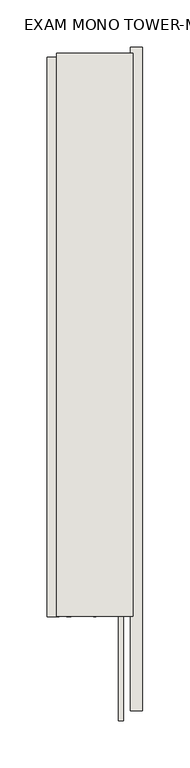
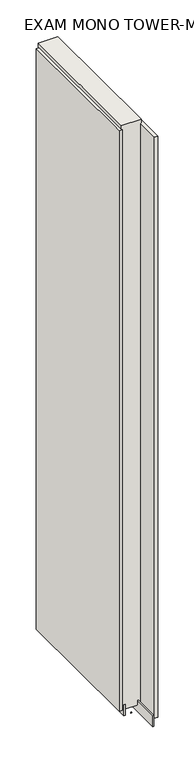
"""IFC4 building model written with IfcOpenShell, lengths in millimetres: wall geometry, EXAM MONO TOWER-MONO ACCENT 537554 : EXAM MONO TOWER-MONO ACCENT 537554."""

import ifcopenshell
import ifcopenshell.guid

model = None  # the IFC model being written
_history = None  # IfcOwnerHistory: only IFC2X3 demands one
_inside = {}  # id of a spatial element -> (the spatial element, [elements in it])
_under = {}  # id of a project, library or spatial element -> (it, [spatial elements below it])
_declared = {}  # id of a project -> (the project, [libraries it declares])
_typed = {}  # id of a type object -> (the type object, [elements of that type])
_made_of = {}  # id of a material, layer set ... -> (it, [elements and type objects made of it])


def new_model(schema):
    """Start an empty IFC model of exactly this schema.

    Asked for "IFC4X3", IfcOpenShell would pick the latest addendum, in which some entities
    have other attributes; the version numbers below select the first issue.
    IFC2X3 requires an IfcOwnerHistory on every rooted entity: one is made here for all.
    """
    global model, _history
    if schema == "IFC4X3":
        model = ifcopenshell.file(schema_version=(4, 3, 0, 0))
    else:
        model = ifcopenshell.file(schema=schema)
    _inside.clear()
    _under.clear()
    _declared.clear()
    _typed.clear()
    _made_of.clear()
    _history = None
    if model.schema == "IFC2X3":
        org = make("IfcOrganization", Name="unknown")
        user = make(
            "IfcPersonAndOrganization",
            ThePerson=make("IfcPerson", FamilyName="unknown"),
            TheOrganization=org,
        )
        app = make(
            "IfcApplication",
            ApplicationDeveloper=org,
            Version="unknown",
            ApplicationFullName="unknown",
            ApplicationIdentifier="unknown",
        )
        _history = make(
            "IfcOwnerHistory",
            OwningUser=user,
            OwningApplication=app,
            ChangeAction="ADDED",
            CreationDate=0,
        )
    return model


def make(cls, **values):
    """One entity of the class cls with the attributes given. An attribute that is None is left unset."""
    return model.create_entity(
        cls, **{name: value for name, value in values.items() if value is not None}
    )


def rooted(cls, **values):
    """An entity with a GlobalId (a new one), such as an element, a storey or a relation."""
    return make(cls, GlobalId=ifcopenshell.guid.new(), OwnerHistory=_history, **values)


def si_unit(unit_type, name, prefix=None):
    """IfcSIUnit, for example si_unit("LENGTHUNIT", "METRE", prefix="MILLI")."""
    return make("IfcSIUnit", UnitType=unit_type, Prefix=prefix, Name=name)


def assignment(units):
    """IfcUnitAssignment: the units of a project."""
    return None if units is None else make("IfcUnitAssignment", Units=units)


def point(xyz):
    """IfcCartesianPoint."""
    return None if xyz is None else make("IfcCartesianPoint", Coordinates=xyz)


def direction(xyz):
    """IfcDirection."""
    return None if xyz is None else make("IfcDirection", DirectionRatios=xyz)


def frame(location, z_axis=None, x_axis=None):
    """IfcAxis2Placement3D, a coordinate frame: its origin and axes. An axis left out is left unset."""
    return make(
        "IfcAxis2Placement3D",
        Location=point(location),
        Axis=direction(z_axis),
        RefDirection=direction(x_axis),
    )


def origin():
    """The frame at (0, 0, 0) with its axes left unset."""
    return frame((0.0, 0.0, 0.0))


def place(relative_to, where):
    """IfcLocalPlacement: puts the frame where relative to a parent placement (None: the world)."""
    return make(
        "IfcLocalPlacement", PlacementRelTo=relative_to, RelativePlacement=where
    )


def context(
    kind, dimensions, precision=None, world=None, true_north=None, identifier=None
):
    """IfcGeometricRepresentationContext, for example the 3D "Model" context."""
    return make(
        "IfcGeometricRepresentationContext",
        ContextIdentifier=identifier,
        ContextType=kind,
        CoordinateSpaceDimension=dimensions,
        Precision=precision,
        WorldCoordinateSystem=world,
        TrueNorth=true_north,
    )


def project(units=None, contexts=None):
    """IfcProject with its units and contexts."""
    return rooted(
        "IfcProject",
        Name="project",
        RepresentationContexts=contexts,
        UnitsInContext=assignment(units),
    )


def spatial(cls, under=None, at=None, **own):
    """A site, building, storey or space (cls), placed at a placement, below another one or the project."""
    s = rooted(cls, ObjectPlacement=at, **own)
    if under is not None:
        _under.setdefault(under.id(), (under, []))[1].append(s)
    return s


def polyline(points):
    """IfcPolyline through the points."""
    return make("IfcPolyline", Points=[point(p) for p in points])


def outline(outer, holes=None, kind="AREA"):
    """IfcArbitraryClosedProfileDef: a profile drawn as a closed curve; with holes, ...WithVoids."""
    if holes is None:
        return make("IfcArbitraryClosedProfileDef", ProfileType=kind, OuterCurve=outer)
    return make(
        "IfcArbitraryProfileDefWithVoids",
        ProfileType=kind,
        OuterCurve=outer,
        InnerCurves=holes,
    )


def extrude(swept, where, along, depth):
    """IfcExtrudedAreaSolid: the profile swept, set in the frame where, extruded along a direction by depth."""
    return make(
        "IfcExtrudedAreaSolid",
        SweptArea=swept,
        Position=where,
        ExtrudedDirection=direction(along),
        Depth=depth,
    )


def shape(context_of_items, identifier, shape_type, items):
    """IfcShapeRepresentation: the items that make up one representation, for example the "Body"."""
    return make(
        "IfcShapeRepresentation",
        ContextOfItems=context_of_items,
        RepresentationIdentifier=identifier,
        RepresentationType=shape_type,
        Items=items,
    )


def source(mapping_origin, context_of_items, identifier, shape_type, items):
    """IfcRepresentationMap: a shape defined once, which mapped items show again and again."""
    return make(
        "IfcRepresentationMap",
        MappingOrigin=mapping_origin,
        MappedRepresentation=shape(context_of_items, identifier, shape_type, items),
    )


def transform(
    local_origin,
    x_axis=None,
    y_axis=None,
    z_axis=None,
    scale=None,
    scale2=None,
    scale3=None,
    uniform=True,
):
    """IfcCartesianTransformationOperator3D, or its non-uniform kind. x_axis, y_axis, z_axis: its Axis1, 2, 3."""
    if uniform:
        return make(
            "IfcCartesianTransformationOperator3D",
            Axis1=direction(x_axis),
            Axis2=direction(y_axis),
            LocalOrigin=point(local_origin),
            Scale=scale,
            Axis3=direction(z_axis),
        )
    return make(
        "IfcCartesianTransformationOperator3DnonUniform",
        Axis1=direction(x_axis),
        Axis2=direction(y_axis),
        LocalOrigin=point(local_origin),
        Scale=scale,
        Axis3=direction(z_axis),
        Scale2=scale2,
        Scale3=scale3,
    )


def mapped(mapping_source, mapping_target):
    """IfcMappedItem: shows the shape of a source again, moved by a transform."""
    return make(
        "IfcMappedItem", MappingSource=mapping_source, MappingTarget=mapping_target
    )


def made_of(thing, what):
    """Note that an element or type object is made of a material, layer set ...; save() writes the relation."""
    if what is not None:
        _made_of.setdefault(what.id(), (what, []))[1].append(thing)
    return thing


def element(
    cls,
    number,
    at=None,
    inside=None,
    cuts=None,
    type_object=None,
    material=None,
    context=None,
    identifier="Body",
    shape_type=None,
    held_by="IfcProductDefinitionShape",
    body=None,
    shapes=None,
    **own,
):
    """One element of the class cls, such as IfcWall. Its Tag is "e" and its number.

    at: its placement. inside: the storey or other place that contains it. cuts: it is an
    opening in that element (IfcRelVoidsElement). A single representation is given by context,
    identifier, shape_type and body (its items); several are given by shapes. held_by: the class
    of the entity that holds the representations. save() writes the other relations.
    """
    e = rooted(cls, Tag="e%d" % number, ObjectPlacement=at, **own)
    if body is not None:
        shapes = [shape(context, identifier, shape_type, body)]
    if shapes is not None:
        e.Representation = make(held_by, Representations=shapes)
    if inside is not None:
        _inside.setdefault(inside.id(), (inside, []))[1].append(e)
    if cuts is not None:
        rooted(
            "IfcRelVoidsElement", RelatingBuildingElement=cuts, RelatedOpeningElement=e
        )
    if type_object is not None:
        _typed.setdefault(type_object.id(), (type_object, []))[1].append(e)
    return made_of(e, material)


def aggregate(whole, parts):
    """IfcRelAggregates: a whole, such as a stair, and the parts it consists of."""
    return rooted("IfcRelAggregates", RelatingObject=whole, RelatedObjects=parts)


def save(model, path):
    """Write the relations noted so far, then the file.

    IfcRelAggregates (storeys below a building ...), IfcRelContainedInSpatialStructure (elements
    in a storey), IfcRelDefinesByType, IfcRelAssociatesMaterial and IfcRelDeclares: one each for
    every whole, place, type object, material and project.
    """
    for whole, parts in _under.values():
        aggregate(whole, parts)
    for where, things in _inside.values():
        rooted(
            "IfcRelContainedInSpatialStructure",
            RelatedElements=things,
            RelatingStructure=where,
        )
    for kind, things in _typed.values():
        rooted("IfcRelDefinesByType", RelatedObjects=things, RelatingType=kind)
    for what, things in _made_of.values():
        rooted("IfcRelAssociatesMaterial", RelatedObjects=things, RelatingMaterial=what)
    for by, libraries in _declared.values():
        rooted("IfcRelDeclares", RelatingContext=by, RelatedDefinitions=libraries)
    model.write(path)


def exam_mono_tower_mono_accent_537554_exam_mono_tower_mono_06ff316e(model_context):
    return source(origin(), model_context, "Body", "SweptSolid", [
        extrude(outline(polyline([(44102.7108038, -50637.7698952), (44102.7108038, -50635.2298952), (44105.2508038, -50635.2298952), (44105.2508038, -50637.7698952), (44102.7108038, -50637.7698952)])), frame((0.0, 0.0, 4419.6), z_axis=(0.0, 0.0, 1.0), x_axis=(1.0, 0.0, 0.0)), (0.0, 0.0, 1.0), 2.54),
        extrude(outline(polyline([(44154.7808038, -50034.4396058), (44154.7808038, -50737.9395958), (44142.0808038, -50737.9395958), (44142.0808038, -50034.4396058), (44154.7808038, -50034.4396058)])), frame((0.0, 0.0, 4445.0), z_axis=(0.0, 0.0, 1.0), x_axis=(1.0, 0.0, 0.0)), (0.0, 0.0, 1.0), 2545.0498756),
        extrude(outline(polyline([(44053.1808038, -50638.2360868), (44053.1808038, -50045.3361296), (44065.8808038, -50045.3361296), (44065.8808038, -50638.2360868), (44053.1808038, -50638.2360868)])), frame((0.0, 0.0, 4445.0), z_axis=(0.0, 0.0, 1.0), x_axis=(1.0, 0.0, 0.0)), (0.0, 0.0, 1.0), 2545.0498756),
        extrude(outline(polyline([(44129.070746, -50748.3628414), (44129.070746, -50040.8711398), (44134.1495014, -50040.8711398), (44134.1495014, -50748.3628414), (44129.070746, -50748.3628414)])), frame((0.0, 0.0, 4418.6602), z_axis=(0.0, 0.0, 1.0), x_axis=(1.0, 0.0, 0.0)), (0.0, 0.0, 1.0), 47.625),
        extrude(outline(polyline([(44129.070746, -50748.3628414), (44129.070746, -50040.8711398), (44134.1495014, -50040.8711398), (44134.1495014, -50748.3628414), (44129.070746, -50748.3628414)])), frame((0.0, 0.0, 4418.6602), z_axis=(0.0, 0.0, 1.0), x_axis=(1.0, 0.0, 0.0)), (0.0, 0.0, 1.0), 47.625),
        extrude(outline(polyline([(44078.906381, -50040.8711398), (44078.906381, -50637.7711398), (44073.8245014, -50637.7711398), (44073.8245014, -50040.8711398), (44078.906381, -50040.8711398)])), frame((0.0, 0.0, 4418.6602), z_axis=(0.0, 0.0, 1.0), x_axis=(1.0, 0.0, 0.0)), (0.0, 0.0, 1.0), 47.625),
        extrude(outline(polyline([(44078.906381, -50040.8711398), (44078.906381, -50637.7711398), (44073.8245014, -50637.7711398), (44073.8245014, -50040.8711398), (44078.906381, -50040.8711398)])), frame((0.0, 0.0, 4418.6602), z_axis=(0.0, 0.0, 1.0), x_axis=(1.0, 0.0, 0.0)), (0.0, 0.0, 1.0), 47.625),
        extrude(outline(polyline([(44144.6170954, -50637.7711398), (44063.3352412, -50637.7711398), (44063.3352412, -50040.8711398), (44144.6170954, -50040.8711398), (44144.6170954, -50637.7711398)])), frame((0.0, 0.0, 4445.0), z_axis=(0.0, 0.0, 1.0), x_axis=(1.0, 0.0, 0.0)), (0.0, 0.0, 1.0), 2562.4536762),
    ])


if __name__ == "__main__":
    model = new_model("IFC4")
    model_context = context("Model", 3, world=origin())
    ifc_project = project(units=[si_unit("LENGTHUNIT", "METRE", prefix="MILLI")], contexts=[model_context])
    site = spatial("IfcSite", under=ifc_project)
    building = spatial("IfcBuilding", under=site)
    placement = place(None, origin())
    exam_mono_tower_mono_accent_537554_exam_mono_tower_mono_shape = exam_mono_tower_mono_accent_537554_exam_mono_tower_mono_06ff316e(model_context)
    element("IfcWall", 1, ObjectType="EXAM MONO TOWER-MONO ACCENT 537554 : EXAM MONO TOWER-MONO ACCENT 537554", at=placement, inside=building, context=model_context, shape_type="MappedRepresentation", body=[
        mapped(exam_mono_tower_mono_accent_537554_exam_mono_tower_mono_shape, transform((0.0, 0.0, 0.0), x_axis=(1.0, 0.0, 0.0), y_axis=(0.0, 1.0, 0.0), z_axis=(0.0, 0.0, 1.0))),
    ])
    save(model, "model.ifc")
